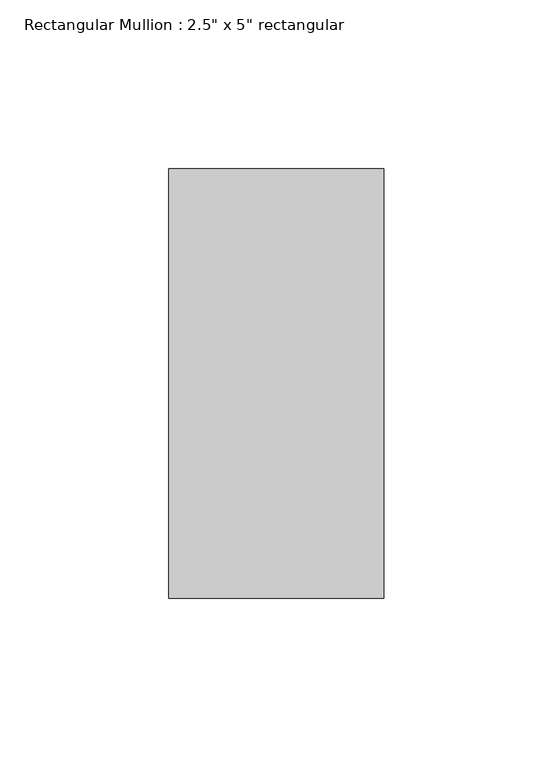
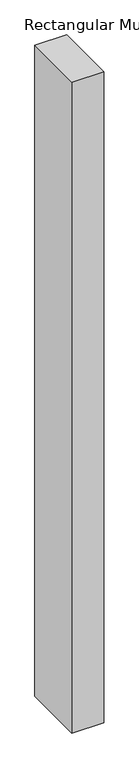
"""IFC4 building model written with IfcOpenShell, lengths in millimetres: member geometry."""

from ifc_helpers import new_model, si_unit, frame, origin, place, context, project, spatial, polyline, outline, extrude, source, transform, mapped, element, save


def member_f6510016(model_context):
    return source(origin(), model_context, "Body", "SweptSolid", [
        extrude(outline(polyline([(0.0, 63.5), (0.0, -63.5), (-63.5, -63.5), (-63.5, 63.5), (0.0, 63.5)])), frame((0.0, 0.0, -1369.4833336), z_axis=(0.0, 0.0, 1.0), x_axis=(1.0, 0.0, 0.0)), (0.0, 0.0, 1.0), 1369.4833336),
    ])


if __name__ == "__main__":
    model = new_model("IFC4")
    model_context = context("Model", 3, world=origin())
    ifc_project = project(units=[si_unit("LENGTHUNIT", "METRE", prefix="MILLI")], contexts=[model_context])
    site = spatial("IfcSite", under=ifc_project)
    building = spatial("IfcBuilding", under=site)
    placement = place(None, origin())
    member_shape = member_f6510016(model_context)
    element("IfcMember", 1, ObjectType="Rectangular Mullion : 2.5\" x 5\" rectangular", at=placement, inside=building, context=model_context, shape_type="MappedRepresentation", body=[
        mapped(member_shape, transform((0.0, 0.0, 0.0), x_axis=(1.0, 0.0, 0.0), y_axis=(0.0, 1.0, 0.0), z_axis=(0.0, 0.0, 1.0))),
    ])
    save(model, "model.ifc")
